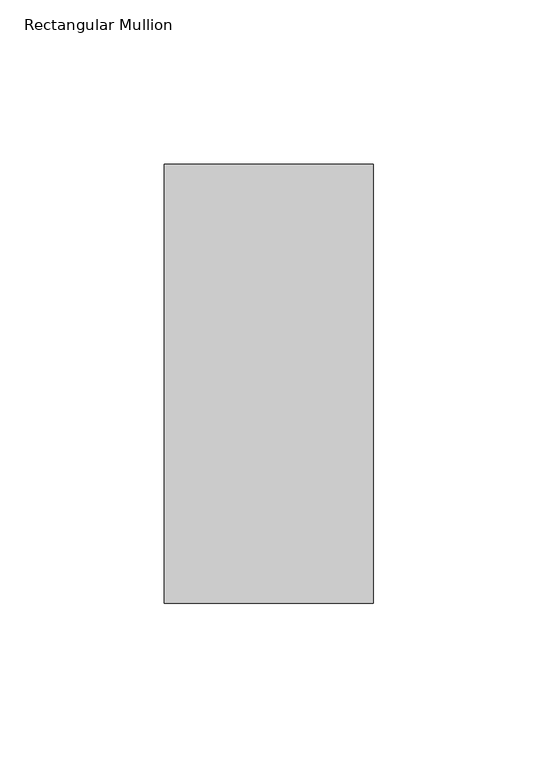
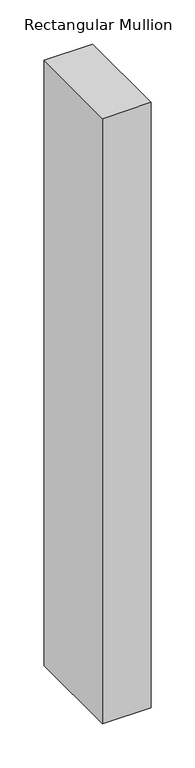
"""IFC4 building model written with IfcOpenShell, lengths in millimetres: member geometry, Rectangular Mullion."""

from ifc_helpers import new_model, si_unit, frame, origin, place, context, project, spatial, polyline, outline, extrude, source, transform, mapped, element, save


def rectangular_mullion_fee61ea9(model_context):
    return source(origin(), model_context, "Body", "SweptSolid", [
        extrude(outline(polyline([(-31.75, 192.88125), (31.75, 192.88125), (31.75, 59.53125), (-31.75, 59.53125), (-31.75, 192.88125)])), frame((0.0, 0.0, -838.2), z_axis=(0.0, 0.0, 1.0), x_axis=(1.0, 0.0, 0.0)), (0.0, 0.0, 1.0), 838.2),
    ])


if __name__ == "__main__":
    model = new_model("IFC4")
    model_context = context("Model", 3, world=origin())
    ifc_project = project(units=[si_unit("LENGTHUNIT", "METRE", prefix="MILLI")], contexts=[model_context])
    site = spatial("IfcSite", under=ifc_project)
    building = spatial("IfcBuilding", under=site)
    placement = place(None, origin())
    rectangular_mullion_shape = rectangular_mullion_fee61ea9(model_context)
    element("IfcMember", 1, ObjectType="Rectangular Mullion", at=placement, inside=building, context=model_context, shape_type="MappedRepresentation", body=[
        mapped(rectangular_mullion_shape, transform((0.0, 0.0, 0.0), x_axis=(1.0, 0.0, 0.0), y_axis=(0.0, 1.0, 0.0), z_axis=(0.0, 0.0, 1.0))),
    ])
    save(model, "model.ifc")
